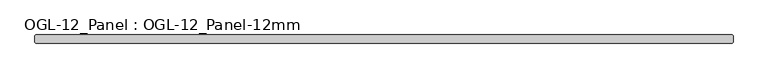
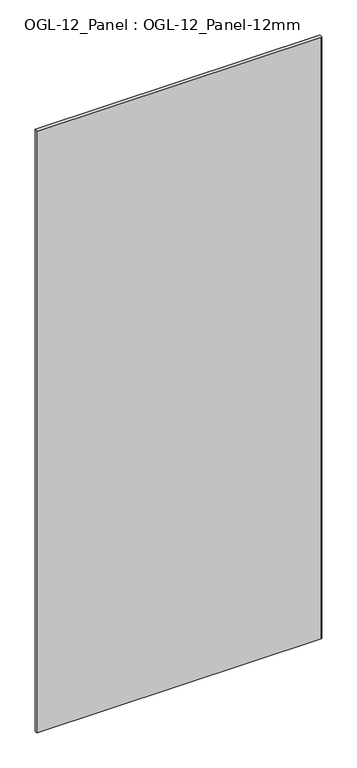
"""IFC4 building model written with IfcOpenShell, lengths in millimetres: plate geometry, OGL-12_Panel : OGL-12_Panel-12mm."""

from ifc_helpers import new_model, si_unit, origin, origin_with_axes, place, context, project, spatial, polyline, outline, extrude, source, transform, mapped, element, save


def ogl_12_panel_ogl_12_panel_12mm_4f197988(model_context):
    return source(origin(), model_context, "Body", "SweptSolid", [
        extrude(outline(polyline([(522.2879673, 29.1703125), (523.8754673, 27.5828125), (523.8754673, 18.0578125), (522.2879673, 16.4703125), (-522.2879673, 16.4703125), (-523.8754673, 18.0578125), (-523.8754673, 27.5828125), (-522.2879673, 29.1703125), (522.2879673, 29.1703125)])), origin_with_axes(), (0.0, 0.0, 1.0), 2339.914687),
    ])


if __name__ == "__main__":
    model = new_model("IFC4")
    model_context = context("Model", 3, world=origin())
    ifc_project = project(units=[si_unit("LENGTHUNIT", "METRE", prefix="MILLI")], contexts=[model_context])
    site = spatial("IfcSite", under=ifc_project)
    building = spatial("IfcBuilding", under=site)
    placement = place(None, origin())
    ogl_12_panel_ogl_12_panel_12mm_shape = ogl_12_panel_ogl_12_panel_12mm_4f197988(model_context)
    element("IfcPlate", 1, ObjectType="OGL-12_Panel : OGL-12_Panel-12mm", at=placement, inside=building, context=model_context, shape_type="MappedRepresentation", body=[
        mapped(ogl_12_panel_ogl_12_panel_12mm_shape, transform((0.0, 0.0, 0.0), x_axis=(1.0, 0.0, 0.0), y_axis=(0.0, 1.0, 0.0), z_axis=(0.0, 0.0, 1.0))),
    ])
    save(model, "model.ifc")
